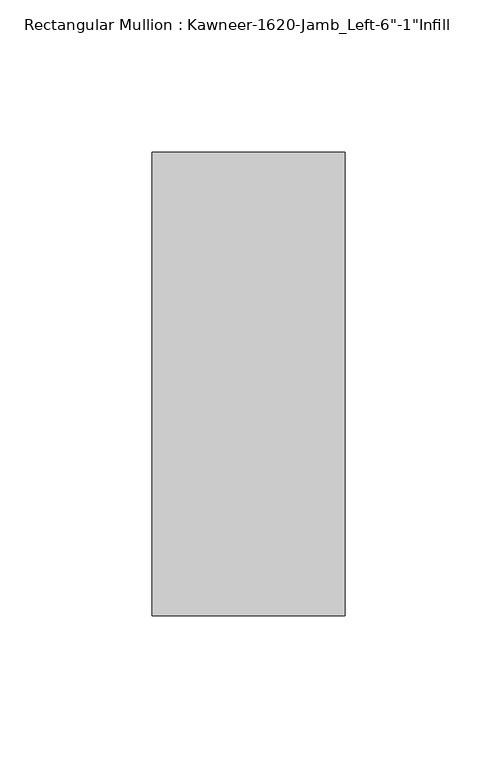
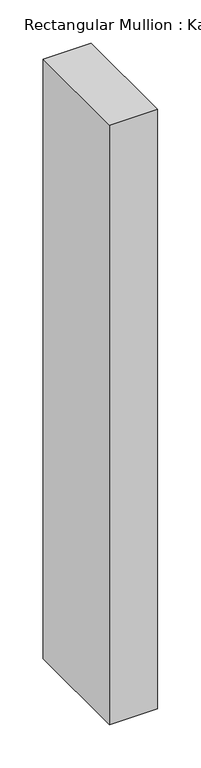
"""IFC4 building model written with IfcOpenShell, lengths in millimetres: member geometry."""

import ifcopenshell
import ifcopenshell.guid

model = None  # the IFC model being written
_history = None  # IfcOwnerHistory: only IFC2X3 demands one
_inside = {}  # id of a spatial element -> (the spatial element, [elements in it])
_under = {}  # id of a project, library or spatial element -> (it, [spatial elements below it])
_declared = {}  # id of a project -> (the project, [libraries it declares])
_typed = {}  # id of a type object -> (the type object, [elements of that type])
_made_of = {}  # id of a material, layer set ... -> (it, [elements and type objects made of it])


def new_model(schema):
    """Start an empty IFC model of exactly this schema.

    Asked for "IFC4X3", IfcOpenShell would pick the latest addendum, in which some entities
    have other attributes; the version numbers below select the first issue.
    IFC2X3 requires an IfcOwnerHistory on every rooted entity: one is made here for all.
    """
    global model, _history
    if schema == "IFC4X3":
        model = ifcopenshell.file(schema_version=(4, 3, 0, 0))
    else:
        model = ifcopenshell.file(schema=schema)
    _inside.clear()
    _under.clear()
    _declared.clear()
    _typed.clear()
    _made_of.clear()
    _history = None
    if model.schema == "IFC2X3":
        org = make("IfcOrganization", Name="unknown")
        user = make(
            "IfcPersonAndOrganization",
            ThePerson=make("IfcPerson", FamilyName="unknown"),
            TheOrganization=org,
        )
        app = make(
            "IfcApplication",
            ApplicationDeveloper=org,
            Version="unknown",
            ApplicationFullName="unknown",
            ApplicationIdentifier="unknown",
        )
        _history = make(
            "IfcOwnerHistory",
            OwningUser=user,
            OwningApplication=app,
            ChangeAction="ADDED",
            CreationDate=0,
        )
    return model


def make(cls, **values):
    """One entity of the class cls with the attributes given. An attribute that is None is left unset."""
    return model.create_entity(
        cls, **{name: value for name, value in values.items() if value is not None}
    )


def rooted(cls, **values):
    """An entity with a GlobalId (a new one), such as an element, a storey or a relation."""
    return make(cls, GlobalId=ifcopenshell.guid.new(), OwnerHistory=_history, **values)


def si_unit(unit_type, name, prefix=None):
    """IfcSIUnit, for example si_unit("LENGTHUNIT", "METRE", prefix="MILLI")."""
    return make("IfcSIUnit", UnitType=unit_type, Prefix=prefix, Name=name)


def assignment(units):
    """IfcUnitAssignment: the units of a project."""
    return None if units is None else make("IfcUnitAssignment", Units=units)


def point(xyz):
    """IfcCartesianPoint."""
    return None if xyz is None else make("IfcCartesianPoint", Coordinates=xyz)


def direction(xyz):
    """IfcDirection."""
    return None if xyz is None else make("IfcDirection", DirectionRatios=xyz)


def frame(location, z_axis=None, x_axis=None):
    """IfcAxis2Placement3D, a coordinate frame: its origin and axes. An axis left out is left unset."""
    return make(
        "IfcAxis2Placement3D",
        Location=point(location),
        Axis=direction(z_axis),
        RefDirection=direction(x_axis),
    )


def origin():
    """The frame at (0, 0, 0) with its axes left unset."""
    return frame((0.0, 0.0, 0.0))


def place(relative_to, where):
    """IfcLocalPlacement: puts the frame where relative to a parent placement (None: the world)."""
    return make(
        "IfcLocalPlacement", PlacementRelTo=relative_to, RelativePlacement=where
    )


def context(
    kind, dimensions, precision=None, world=None, true_north=None, identifier=None
):
    """IfcGeometricRepresentationContext, for example the 3D "Model" context."""
    return make(
        "IfcGeometricRepresentationContext",
        ContextIdentifier=identifier,
        ContextType=kind,
        CoordinateSpaceDimension=dimensions,
        Precision=precision,
        WorldCoordinateSystem=world,
        TrueNorth=true_north,
    )


def project(units=None, contexts=None):
    """IfcProject with its units and contexts."""
    return rooted(
        "IfcProject",
        Name="project",
        RepresentationContexts=contexts,
        UnitsInContext=assignment(units),
    )


def spatial(cls, under=None, at=None, **own):
    """A site, building, storey or space (cls), placed at a placement, below another one or the project."""
    s = rooted(cls, ObjectPlacement=at, **own)
    if under is not None:
        _under.setdefault(under.id(), (under, []))[1].append(s)
    return s


def polyline(points):
    """IfcPolyline through the points."""
    return make("IfcPolyline", Points=[point(p) for p in points])


def outline(outer, holes=None, kind="AREA"):
    """IfcArbitraryClosedProfileDef: a profile drawn as a closed curve; with holes, ...WithVoids."""
    if holes is None:
        return make("IfcArbitraryClosedProfileDef", ProfileType=kind, OuterCurve=outer)
    return make(
        "IfcArbitraryProfileDefWithVoids",
        ProfileType=kind,
        OuterCurve=outer,
        InnerCurves=holes,
    )


def extrude(swept, where, along, depth):
    """IfcExtrudedAreaSolid: the profile swept, set in the frame where, extruded along a direction by depth."""
    return make(
        "IfcExtrudedAreaSolid",
        SweptArea=swept,
        Position=where,
        ExtrudedDirection=direction(along),
        Depth=depth,
    )


def shape(context_of_items, identifier, shape_type, items):
    """IfcShapeRepresentation: the items that make up one representation, for example the "Body"."""
    return make(
        "IfcShapeRepresentation",
        ContextOfItems=context_of_items,
        RepresentationIdentifier=identifier,
        RepresentationType=shape_type,
        Items=items,
    )


def source(mapping_origin, context_of_items, identifier, shape_type, items):
    """IfcRepresentationMap: a shape defined once, which mapped items show again and again."""
    return make(
        "IfcRepresentationMap",
        MappingOrigin=mapping_origin,
        MappedRepresentation=shape(context_of_items, identifier, shape_type, items),
    )


def transform(
    local_origin,
    x_axis=None,
    y_axis=None,
    z_axis=None,
    scale=None,
    scale2=None,
    scale3=None,
    uniform=True,
):
    """IfcCartesianTransformationOperator3D, or its non-uniform kind. x_axis, y_axis, z_axis: its Axis1, 2, 3."""
    if uniform:
        return make(
            "IfcCartesianTransformationOperator3D",
            Axis1=direction(x_axis),
            Axis2=direction(y_axis),
            LocalOrigin=point(local_origin),
            Scale=scale,
            Axis3=direction(z_axis),
        )
    return make(
        "IfcCartesianTransformationOperator3DnonUniform",
        Axis1=direction(x_axis),
        Axis2=direction(y_axis),
        LocalOrigin=point(local_origin),
        Scale=scale,
        Axis3=direction(z_axis),
        Scale2=scale2,
        Scale3=scale3,
    )


def mapped(mapping_source, mapping_target):
    """IfcMappedItem: shows the shape of a source again, moved by a transform."""
    return make(
        "IfcMappedItem", MappingSource=mapping_source, MappingTarget=mapping_target
    )


def made_of(thing, what):
    """Note that an element or type object is made of a material, layer set ...; save() writes the relation."""
    if what is not None:
        _made_of.setdefault(what.id(), (what, []))[1].append(thing)
    return thing


def element(
    cls,
    number,
    at=None,
    inside=None,
    cuts=None,
    type_object=None,
    material=None,
    context=None,
    identifier="Body",
    shape_type=None,
    held_by="IfcProductDefinitionShape",
    body=None,
    shapes=None,
    **own,
):
    """One element of the class cls, such as IfcWall. Its Tag is "e" and its number.

    at: its placement. inside: the storey or other place that contains it. cuts: it is an
    opening in that element (IfcRelVoidsElement). A single representation is given by context,
    identifier, shape_type and body (its items); several are given by shapes. held_by: the class
    of the entity that holds the representations. save() writes the other relations.
    """
    e = rooted(cls, Tag="e%d" % number, ObjectPlacement=at, **own)
    if body is not None:
        shapes = [shape(context, identifier, shape_type, body)]
    if shapes is not None:
        e.Representation = make(held_by, Representations=shapes)
    if inside is not None:
        _inside.setdefault(inside.id(), (inside, []))[1].append(e)
    if cuts is not None:
        rooted(
            "IfcRelVoidsElement", RelatingBuildingElement=cuts, RelatedOpeningElement=e
        )
    if type_object is not None:
        _typed.setdefault(type_object.id(), (type_object, []))[1].append(e)
    return made_of(e, material)


def aggregate(whole, parts):
    """IfcRelAggregates: a whole, such as a stair, and the parts it consists of."""
    return rooted("IfcRelAggregates", RelatingObject=whole, RelatedObjects=parts)


def save(model, path):
    """Write the relations noted so far, then the file.

    IfcRelAggregates (storeys below a building ...), IfcRelContainedInSpatialStructure (elements
    in a storey), IfcRelDefinesByType, IfcRelAssociatesMaterial and IfcRelDeclares: one each for
    every whole, place, type object, material and project.
    """
    for whole, parts in _under.values():
        aggregate(whole, parts)
    for where, things in _inside.values():
        rooted(
            "IfcRelContainedInSpatialStructure",
            RelatedElements=things,
            RelatingStructure=where,
        )
    for kind, things in _typed.values():
        rooted("IfcRelDefinesByType", RelatedObjects=things, RelatingType=kind)
    for what, things in _made_of.values():
        rooted("IfcRelAssociatesMaterial", RelatedObjects=things, RelatingMaterial=what)
    for by, libraries in _declared.values():
        rooted("IfcRelDeclares", RelatingContext=by, RelatedDefinitions=libraries)
    model.write(path)


def member_7e676afb(model_context):
    return source(origin(), model_context, "Body", "SweptSolid", [
        extrude(outline(polyline([(-63.5, 38.1), (0.0, 38.1), (0.0, -114.3), (-63.5, -114.3), (-63.5, 38.1)])), frame((0.0, 0.0, -841.375), z_axis=(0.0, 0.0, 1.0), x_axis=(1.0, 0.0, 0.0)), (0.0, 0.0, 1.0), 841.375),
    ])


if __name__ == "__main__":
    model = new_model("IFC4")
    model_context = context("Model", 3, world=origin())
    ifc_project = project(units=[si_unit("LENGTHUNIT", "METRE", prefix="MILLI")], contexts=[model_context])
    site = spatial("IfcSite", under=ifc_project)
    building = spatial("IfcBuilding", under=site)
    placement = place(None, origin())
    member_shape = member_7e676afb(model_context)
    element("IfcMember", 1, ObjectType="Rectangular Mullion : Kawneer-1620-Jamb_Left-6\"-1\"Infill", at=placement, inside=building, context=model_context, shape_type="MappedRepresentation", body=[
        mapped(member_shape, transform((0.0, 0.0, 0.0), x_axis=(1.0, 0.0, 0.0), y_axis=(0.0, 1.0, 0.0), z_axis=(0.0, 0.0, 1.0))),
    ])
    save(model, "model.ifc")
